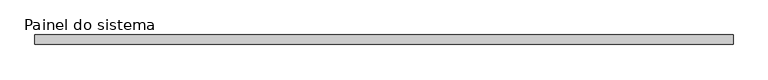
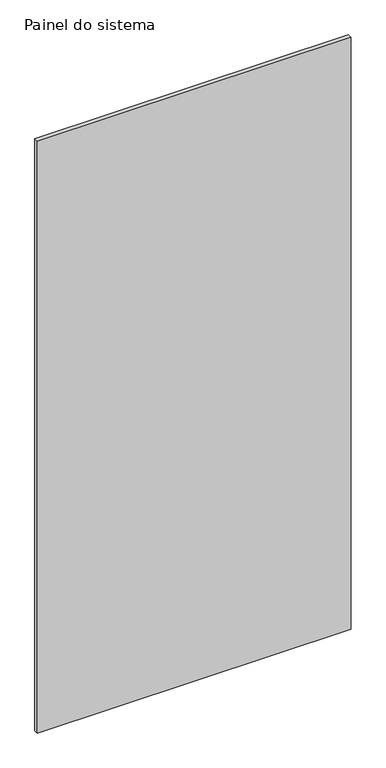
"""IFC4 building model written with IfcOpenShell, lengths in millimetres: plate geometry, Painel do sistema."""

from ifc_helpers import new_model, si_unit, origin, origin_with_axes, place, context, project, spatial, polyline, outline, extrude, source, transform, mapped, element, save


def painel_do_sistema_60ff3a66(model_context):
    return source(origin(), model_context, "Body", "SweptSolid", [
        extrude(outline(polyline([(915.0000002, 24.5), (-915.0000002, 24.5), (-915.0000002, 49.5), (915.0000002, 49.5), (915.0000002, 24.5)])), origin_with_axes(), (0.0, 0.0, 1.0), 3650.0),
    ])


if __name__ == "__main__":
    model = new_model("IFC4")
    model_context = context("Model", 3, world=origin())
    ifc_project = project(units=[si_unit("LENGTHUNIT", "METRE", prefix="MILLI")], contexts=[model_context])
    site = spatial("IfcSite", under=ifc_project)
    building = spatial("IfcBuilding", under=site)
    placement = place(None, origin())
    painel_do_sistema_shape = painel_do_sistema_60ff3a66(model_context)
    element("IfcPlate", 1, ObjectType="Painel do sistema", at=placement, inside=building, context=model_context, shape_type="MappedRepresentation", body=[
        mapped(painel_do_sistema_shape, transform((0.0, 0.0, 0.0), x_axis=(1.0, 0.0, 0.0), y_axis=(0.0, 1.0, 0.0), z_axis=(0.0, 0.0, 1.0))),
    ])
    save(model, "model.ifc")
